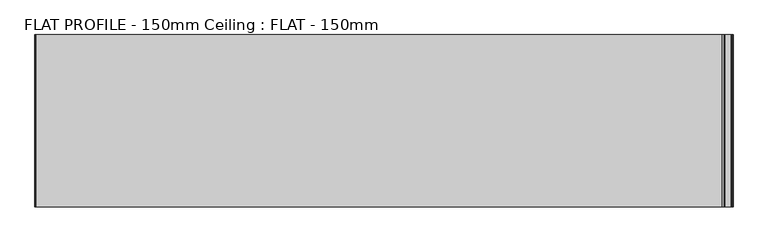
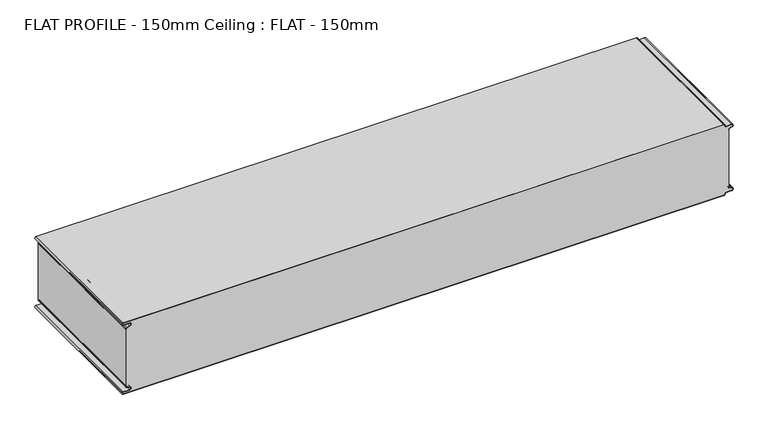
"""IFC4 building model written with IfcOpenShell, lengths in millimetres: proxy geometry, FLAT PROFILE - 150mm Ceiling : FLAT - 150mm."""

import ifcopenshell
import ifcopenshell.guid

model = None  # the IFC model being written
_history = None  # IfcOwnerHistory: only IFC2X3 demands one
_inside = {}  # id of a spatial element -> (the spatial element, [elements in it])
_under = {}  # id of a project, library or spatial element -> (it, [spatial elements below it])
_declared = {}  # id of a project -> (the project, [libraries it declares])
_typed = {}  # id of a type object -> (the type object, [elements of that type])
_made_of = {}  # id of a material, layer set ... -> (it, [elements and type objects made of it])


def new_model(schema):
    """Start an empty IFC model of exactly this schema.

    Asked for "IFC4X3", IfcOpenShell would pick the latest addendum, in which some entities
    have other attributes; the version numbers below select the first issue.
    IFC2X3 requires an IfcOwnerHistory on every rooted entity: one is made here for all.
    """
    global model, _history
    if schema == "IFC4X3":
        model = ifcopenshell.file(schema_version=(4, 3, 0, 0))
    else:
        model = ifcopenshell.file(schema=schema)
    _inside.clear()
    _under.clear()
    _declared.clear()
    _typed.clear()
    _made_of.clear()
    _history = None
    if model.schema == "IFC2X3":
        org = make("IfcOrganization", Name="unknown")
        user = make(
            "IfcPersonAndOrganization",
            ThePerson=make("IfcPerson", FamilyName="unknown"),
            TheOrganization=org,
        )
        app = make(
            "IfcApplication",
            ApplicationDeveloper=org,
            Version="unknown",
            ApplicationFullName="unknown",
            ApplicationIdentifier="unknown",
        )
        _history = make(
            "IfcOwnerHistory",
            OwningUser=user,
            OwningApplication=app,
            ChangeAction="ADDED",
            CreationDate=0,
        )
    return model


def make(cls, **values):
    """One entity of the class cls with the attributes given. An attribute that is None is left unset."""
    return model.create_entity(
        cls, **{name: value for name, value in values.items() if value is not None}
    )


def rooted(cls, **values):
    """An entity with a GlobalId (a new one), such as an element, a storey or a relation."""
    return make(cls, GlobalId=ifcopenshell.guid.new(), OwnerHistory=_history, **values)


def si_unit(unit_type, name, prefix=None):
    """IfcSIUnit, for example si_unit("LENGTHUNIT", "METRE", prefix="MILLI")."""
    return make("IfcSIUnit", UnitType=unit_type, Prefix=prefix, Name=name)


def assignment(units):
    """IfcUnitAssignment: the units of a project."""
    return None if units is None else make("IfcUnitAssignment", Units=units)


def point(xyz):
    """IfcCartesianPoint."""
    return None if xyz is None else make("IfcCartesianPoint", Coordinates=xyz)


def direction(xyz):
    """IfcDirection."""
    return None if xyz is None else make("IfcDirection", DirectionRatios=xyz)


def frame(location, z_axis=None, x_axis=None):
    """IfcAxis2Placement3D, a coordinate frame: its origin and axes. An axis left out is left unset."""
    return make(
        "IfcAxis2Placement3D",
        Location=point(location),
        Axis=direction(z_axis),
        RefDirection=direction(x_axis),
    )


def frame_2d(location, x_axis=None):
    """IfcAxis2Placement2D, a coordinate frame in the plane: its origin and x axis."""
    return make(
        "IfcAxis2Placement2D", Location=point(location), RefDirection=direction(x_axis)
    )


def origin():
    """The frame at (0, 0, 0) with its axes left unset."""
    return frame((0.0, 0.0, 0.0))


def place(relative_to, where):
    """IfcLocalPlacement: puts the frame where relative to a parent placement (None: the world)."""
    return make(
        "IfcLocalPlacement", PlacementRelTo=relative_to, RelativePlacement=where
    )


def context(
    kind, dimensions, precision=None, world=None, true_north=None, identifier=None
):
    """IfcGeometricRepresentationContext, for example the 3D "Model" context."""
    return make(
        "IfcGeometricRepresentationContext",
        ContextIdentifier=identifier,
        ContextType=kind,
        CoordinateSpaceDimension=dimensions,
        Precision=precision,
        WorldCoordinateSystem=world,
        TrueNorth=true_north,
    )


def project(units=None, contexts=None):
    """IfcProject with its units and contexts."""
    return rooted(
        "IfcProject",
        Name="project",
        RepresentationContexts=contexts,
        UnitsInContext=assignment(units),
    )


def spatial(cls, under=None, at=None, **own):
    """A site, building, storey or space (cls), placed at a placement, below another one or the project."""
    s = rooted(cls, ObjectPlacement=at, **own)
    if under is not None:
        _under.setdefault(under.id(), (under, []))[1].append(s)
    return s


def polyline(points):
    """IfcPolyline through the points."""
    return make("IfcPolyline", Points=[point(p) for p in points])


def circle_curve(where, radius):
    """IfcCircle in the frame where."""
    return make("IfcCircle", Position=where, Radius=radius)


def trimmed(basis, trim1, trim2, sense, master):
    """IfcTrimmedCurve: the piece of a basis curve between two trims."""
    return make(
        "IfcTrimmedCurve",
        BasisCurve=basis,
        Trim1=trim1,
        Trim2=trim2,
        SenseAgreement=sense,
        MasterRepresentation=master,
    )


def segment(curve, same_sense, transition):
    """IfcCompositeCurveSegment."""
    return make(
        "IfcCompositeCurveSegment",
        Transition=transition,
        SameSense=same_sense,
        ParentCurve=curve,
    )


def composite_curve(segments, self_intersect=None):
    """IfcCompositeCurve: segments joined end to end."""
    return make("IfcCompositeCurve", Segments=segments, SelfIntersect=self_intersect)


def outline(outer, holes=None, kind="AREA"):
    """IfcArbitraryClosedProfileDef: a profile drawn as a closed curve; with holes, ...WithVoids."""
    if holes is None:
        return make("IfcArbitraryClosedProfileDef", ProfileType=kind, OuterCurve=outer)
    return make(
        "IfcArbitraryProfileDefWithVoids",
        ProfileType=kind,
        OuterCurve=outer,
        InnerCurves=holes,
    )


def extrude(swept, where, along, depth):
    """IfcExtrudedAreaSolid: the profile swept, set in the frame where, extruded along a direction by depth."""
    return make(
        "IfcExtrudedAreaSolid",
        SweptArea=swept,
        Position=where,
        ExtrudedDirection=direction(along),
        Depth=depth,
    )


def shape(context_of_items, identifier, shape_type, items):
    """IfcShapeRepresentation: the items that make up one representation, for example the "Body"."""
    return make(
        "IfcShapeRepresentation",
        ContextOfItems=context_of_items,
        RepresentationIdentifier=identifier,
        RepresentationType=shape_type,
        Items=items,
    )


def source(mapping_origin, context_of_items, identifier, shape_type, items):
    """IfcRepresentationMap: a shape defined once, which mapped items show again and again."""
    return make(
        "IfcRepresentationMap",
        MappingOrigin=mapping_origin,
        MappedRepresentation=shape(context_of_items, identifier, shape_type, items),
    )


def transform(
    local_origin,
    x_axis=None,
    y_axis=None,
    z_axis=None,
    scale=None,
    scale2=None,
    scale3=None,
    uniform=True,
):
    """IfcCartesianTransformationOperator3D, or its non-uniform kind. x_axis, y_axis, z_axis: its Axis1, 2, 3."""
    if uniform:
        return make(
            "IfcCartesianTransformationOperator3D",
            Axis1=direction(x_axis),
            Axis2=direction(y_axis),
            LocalOrigin=point(local_origin),
            Scale=scale,
            Axis3=direction(z_axis),
        )
    return make(
        "IfcCartesianTransformationOperator3DnonUniform",
        Axis1=direction(x_axis),
        Axis2=direction(y_axis),
        LocalOrigin=point(local_origin),
        Scale=scale,
        Axis3=direction(z_axis),
        Scale2=scale2,
        Scale3=scale3,
    )


def mapped(mapping_source, mapping_target):
    """IfcMappedItem: shows the shape of a source again, moved by a transform."""
    return make(
        "IfcMappedItem", MappingSource=mapping_source, MappingTarget=mapping_target
    )


def made_of(thing, what):
    """Note that an element or type object is made of a material, layer set ...; save() writes the relation."""
    if what is not None:
        _made_of.setdefault(what.id(), (what, []))[1].append(thing)
    return thing


def element(
    cls,
    number,
    at=None,
    inside=None,
    cuts=None,
    type_object=None,
    material=None,
    context=None,
    identifier="Body",
    shape_type=None,
    held_by="IfcProductDefinitionShape",
    body=None,
    shapes=None,
    **own,
):
    """One element of the class cls, such as IfcWall. Its Tag is "e" and its number.

    at: its placement. inside: the storey or other place that contains it. cuts: it is an
    opening in that element (IfcRelVoidsElement). A single representation is given by context,
    identifier, shape_type and body (its items); several are given by shapes. held_by: the class
    of the entity that holds the representations. save() writes the other relations.
    """
    e = rooted(cls, Tag="e%d" % number, ObjectPlacement=at, **own)
    if body is not None:
        shapes = [shape(context, identifier, shape_type, body)]
    if shapes is not None:
        e.Representation = make(held_by, Representations=shapes)
    if inside is not None:
        _inside.setdefault(inside.id(), (inside, []))[1].append(e)
    if cuts is not None:
        rooted(
            "IfcRelVoidsElement", RelatingBuildingElement=cuts, RelatedOpeningElement=e
        )
    if type_object is not None:
        _typed.setdefault(type_object.id(), (type_object, []))[1].append(e)
    return made_of(e, material)


def aggregate(whole, parts):
    """IfcRelAggregates: a whole, such as a stair, and the parts it consists of."""
    return rooted("IfcRelAggregates", RelatingObject=whole, RelatedObjects=parts)


def save(model, path):
    """Write the relations noted so far, then the file.

    IfcRelAggregates (storeys below a building ...), IfcRelContainedInSpatialStructure (elements
    in a storey), IfcRelDefinesByType, IfcRelAssociatesMaterial and IfcRelDeclares: one each for
    every whole, place, type object, material and project.
    """
    for whole, parts in _under.values():
        aggregate(whole, parts)
    for where, things in _inside.values():
        rooted(
            "IfcRelContainedInSpatialStructure",
            RelatedElements=things,
            RelatingStructure=where,
        )
    for kind, things in _typed.values():
        rooted("IfcRelDefinesByType", RelatedObjects=things, RelatingType=kind)
    for what, things in _made_of.values():
        rooted("IfcRelAssociatesMaterial", RelatedObjects=things, RelatingMaterial=what)
    for by, libraries in _declared.values():
        rooted("IfcRelDeclares", RelatingContext=by, RelatedDefinitions=libraries)
    model.write(path)


def flat_profile_150mm_ceiling_flat_150mm_bf1788bf(model_context):
    return source(origin(), model_context, "Body", "SweptSolid", [
        extrude(outline(composite_curve([segment(polyline([(2438.8871049, -591.3794419), (2438.0861162, -589.3904999), (2436.0875592, -583.8995097)]), True, "CONTINUOUS"), segment(trimmed(circle_curve(frame_2d((2432.6623524, -585.2882153)), 3.6960175), [point((2436.0875592, -583.8995097))], [point((2428.9839912, -584.9273771))], True, "CARTESIAN"), True, "CONTINUOUS"), segment(polyline([(2428.9839912, -584.9273771), (2428.9839912, -597.3733883)]), True, "CONTINUOUS"), segment(trimmed(circle_curve(frame_2d((2427.4887038, -597.4921978)), 1.5), [point((2428.9839912, -597.3733883))], [point((2426.0, -597.3084562))], False, "CARTESIAN"), True, "CONTINUOUS"), segment(polyline([(2426.0, -597.3084562), (2426.0, 596.902372)]), True, "CONTINUOUS"), segment(trimmed(circle_curve(frame_2d((2427.5073559, 596.9047345)), 1.5073578), [point((2426.0, 596.902372))], [point((2427.5460681, 598.4115951))], False, "CARTESIAN"), True, "CONTINUOUS"), segment(trimmed(circle_curve(frame_2d((2427.5, 601.9112919)), 3.5), [point((2427.5460681, 598.4115951))], [point((2431.0, 601.9112919))], True, "CARTESIAN"), True, "CONTINUOUS"), segment(polyline([(2431.0, 601.9112919), (2431.0, 612.3116271)]), True, "CONTINUOUS"), segment(trimmed(circle_curve(frame_2d((2433.1, 612.3116271)), 2.1), [point((2431.0, 612.3116271))], [point((2435.068303, 613.0435993))], False, "CARTESIAN"), True, "CONTINUOUS"), segment(polyline([(2435.068303, 613.0435993), (2435.8937017, 610.7828028), (2437.0845863, 607.8546835)]), True, "CONTINUOUS"), segment(trimmed(circle_curve(frame_2d((2439.7531065, 608.9399875)), 2.8807786), [point((2437.0845863, 607.8546835))], [point((2439.5249279, 606.0682599))], True, "CARTESIAN"), True, "CONTINUOUS"), segment(polyline([(2439.5249279, 606.0682599), (2440.7477786, 606.0107004), (2440.7477786, 607.0118076), (2559.2522214, 607.0118076), (2559.2522214, 606.0107004), (2560.4750721, 606.0682599)]), True, "CONTINUOUS"), segment(trimmed(circle_curve(frame_2d((2560.2468935, 608.9399875)), 2.8807786), [point((2560.4750721, 606.0682599))], [point((2562.9154137, 607.8546835))], True, "CARTESIAN"), True, "CONTINUOUS"), segment(polyline([(2562.9154137, 607.8546835), (2564.1062983, 610.7828028), (2564.931697, 613.0435993)]), True, "CONTINUOUS"), segment(trimmed(circle_curve(frame_2d((2566.9, 612.3116271)), 2.1), [point((2564.931697, 613.0435993))], [point((2569.0, 612.3116271))], False, "CARTESIAN"), True, "CONTINUOUS"), segment(polyline([(2569.0, 612.3116271), (2569.0, 601.9112919)]), True, "CONTINUOUS"), segment(trimmed(circle_curve(frame_2d((2572.5, 601.9112919)), 3.5), [point((2569.0, 601.9112919))], [point((2572.4539319, 598.4115951))], True, "CARTESIAN"), True, "CONTINUOUS"), segment(trimmed(circle_curve(frame_2d((2572.4926441, 596.9047345)), 1.5073578), [point((2572.4539319, 598.4115951))], [point((2574.0, 596.902372))], False, "CARTESIAN"), True, "CONTINUOUS"), segment(polyline([(2574.0, 596.902372), (2574.0, -597.3084562)]), True, "CONTINUOUS"), segment(trimmed(circle_curve(frame_2d((2572.5112962, -597.4921978)), 1.5), [point((2574.0, -597.3084562))], [point((2571.0160088, -597.3733883))], False, "CARTESIAN"), True, "CONTINUOUS"), segment(polyline([(2571.0160088, -597.3733883), (2571.0160088, -584.9273771)]), True, "CONTINUOUS"), segment(trimmed(circle_curve(frame_2d((2567.3376476, -585.2882153)), 3.6960175), [point((2571.0160088, -584.9273771))], [point((2563.9124408, -583.8995097))], True, "CARTESIAN"), True, "CONTINUOUS"), segment(polyline([(2563.9124408, -583.8995097), (2561.9138838, -589.3904999), (2561.1128951, -591.3794419)]), True, "CONTINUOUS"), segment(trimmed(circle_curve(frame_2d((2560.1831925, -591.0050311)), 1.0022625), [point((2561.1128951, -591.3794419))], [point((2560.3779338, -591.9881924))], False, "CARTESIAN"), True, "CONTINUOUS"), segment(polyline([(2560.3779338, -591.9881924), (2559.2522232, -591.9881924), (2559.2522232, -592.9881924), (2440.7477805, -592.9881924), (2440.7477805, -591.9881924), (2439.6220662, -591.9881924)]), True, "CONTINUOUS"), segment(trimmed(circle_curve(frame_2d((2439.8168075, -591.0050311)), 1.0022625), [point((2439.6220662, -591.9881924))], [point((2438.8871049, -591.3794419))], False, "CARTESIAN"), True, "CONTINUOUS")], self_intersect=False)), frame((0.0, -2500.0000019, 0.0), z_axis=(0.0, 1.0, 0.0), x_axis=(0.0, 0.0, 1.0)), (0.0, 0.0, 1.0), 300.0),
        extrude(outline(composite_curve([segment(trimmed(circle_curve(frame_2d((2439.8168075, -591.0050311)), 1.0022625), [point((2438.8871049, -591.3794419))], [point((2439.6220662, -591.9881924))], True, "CARTESIAN"), True, "CONTINUOUS"), segment(polyline([(2439.6220662, -591.9881924), (2440.7477805, -591.9881924), (2440.7477805, -592.9881924), (2439.5408967, -592.9881924)]), True, "CONTINUOUS"), segment(trimmed(circle_curve(frame_2d((2439.8168075, -591.0050311)), 2.0022625), [point((2439.5408967, -592.9881924))], [point((2437.9595011, -591.7530074))], False, "CARTESIAN"), True, "CONTINUOUS"), segment(polyline([(2437.9595011, -591.7530074), (2437.1522016, -589.7483949), (2435.1545303, -584.2598383)]), True, "CONTINUOUS"), segment(trimmed(circle_curve(frame_2d((2432.6623524, -585.2882153)), 2.6960175), [point((2435.1545303, -584.2598383))], [point((2429.9839912, -584.9801705))], True, "CARTESIAN"), True, "CONTINUOUS"), segment(polyline([(2429.9839912, -584.9801705), (2429.9839912, -597.3387672)]), True, "CONTINUOUS"), segment(trimmed(circle_curve(frame_2d((2427.4887038, -597.4921978)), 2.5), [point((2429.9839912, -597.3387672))], [point((2425.0, -597.2548091))], False, "CARTESIAN"), True, "CONTINUOUS"), segment(polyline([(2425.0, -597.2548091), (2425.0, 596.9016875)]), True, "CONTINUOUS"), segment(trimmed(circle_curve(frame_2d((2427.5073559, 596.9047345)), 2.5073578), [point((2425.0, 596.9016875))], [point((2427.5482843, 599.4117582))], False, "CARTESIAN"), True, "CONTINUOUS"), segment(trimmed(circle_curve(frame_2d((2427.5, 601.9112919)), 2.5), [point((2427.5482843, 599.4117582))], [point((2430.0, 601.9112919))], True, "CARTESIAN"), True, "CONTINUOUS"), segment(polyline([(2430.0, 601.9112919), (2430.0, 612.3116271)]), True, "CONTINUOUS"), segment(trimmed(circle_curve(frame_2d((2433.1, 612.3116271)), 3.1), [point((2430.0, 612.3116271))], [point((2436.0067312, 613.3890842))], False, "CARTESIAN"), True, "CONTINUOUS"), segment(polyline([(2436.0067312, 613.3890842), (2436.826844, 611.1427659), (2437.945075, 608.2411829)]), True, "CONTINUOUS"), segment(trimmed(circle_curve(frame_2d((2439.8407353, 609.0514567)), 2.0615701), [point((2437.945075, 608.2411829))], [point((2439.5408967, 607.0118076))], True, "CARTESIAN"), True, "CONTINUOUS"), segment(polyline([(2439.5408967, 607.0118076), (2440.7477786, 607.0118076), (2440.7477786, 606.0107004), (2439.5249279, 606.0682599)]), True, "CONTINUOUS"), segment(trimmed(circle_curve(frame_2d((2439.7531065, 608.9399875)), 2.8807786), [point((2439.5249279, 606.0682599))], [point((2437.0845863, 607.8546835))], False, "CARTESIAN"), True, "CONTINUOUS"), segment(polyline([(2437.0845863, 607.8546835), (2435.8937017, 610.7828028), (2435.068303, 613.0435993)]), True, "CONTINUOUS"), segment(trimmed(circle_curve(frame_2d((2433.1, 612.3116271)), 2.1), [point((2435.068303, 613.0435993))], [point((2431.0, 612.3116271))], True, "CARTESIAN"), True, "CONTINUOUS"), segment(polyline([(2431.0, 612.3116271), (2431.0, 601.9112919)]), True, "CONTINUOUS"), segment(trimmed(circle_curve(frame_2d((2427.5, 601.9112919)), 3.5), [point((2431.0, 601.9112919))], [point((2427.5460681, 598.4115951))], False, "CARTESIAN"), True, "CONTINUOUS"), segment(trimmed(circle_curve(frame_2d((2427.5073559, 596.9047345)), 1.5073578), [point((2427.5460681, 598.4115951))], [point((2426.0, 596.902372))], True, "CARTESIAN"), True, "CONTINUOUS"), segment(polyline([(2426.0, 596.902372), (2426.0, -597.3084562)]), True, "CONTINUOUS"), segment(trimmed(circle_curve(frame_2d((2427.4887038, -597.4921978)), 1.5), [point((2426.0, -597.3084562))], [point((2428.9839912, -597.3733883))], True, "CARTESIAN"), True, "CONTINUOUS"), segment(polyline([(2428.9839912, -597.3733883), (2428.9839912, -584.9273771)]), True, "CONTINUOUS"), segment(trimmed(circle_curve(frame_2d((2432.6623524, -585.2882153)), 3.6960175), [point((2428.9839912, -584.9273771))], [point((2436.0875592, -583.8995097))], False, "CARTESIAN"), True, "CONTINUOUS"), segment(polyline([(2436.0875592, -583.8995097), (2438.0861162, -589.3904999), (2438.8871049, -591.3794419)]), True, "CONTINUOUS")], self_intersect=False)), frame((0.0, -2500.0000019, 0.0), z_axis=(0.0, 1.0, 0.0), x_axis=(0.0, 0.0, 1.0)), (0.0, 0.0, 1.0), 300.0),
        extrude(outline(composite_curve([segment(polyline([(2561.1128951, -591.3794419), (2561.9138838, -589.3904999), (2563.9124408, -583.8995097)]), True, "CONTINUOUS"), segment(trimmed(circle_curve(frame_2d((2567.3376476, -585.2882153)), 3.6960175), [point((2563.9124408, -583.8995097))], [point((2571.0160088, -584.9273771))], False, "CARTESIAN"), True, "CONTINUOUS"), segment(polyline([(2571.0160088, -584.9273771), (2571.0160088, -597.3733883)]), True, "CONTINUOUS"), segment(trimmed(circle_curve(frame_2d((2572.5112962, -597.4921978)), 1.5), [point((2571.0160088, -597.3733883))], [point((2574.0, -597.3084562))], True, "CARTESIAN"), True, "CONTINUOUS"), segment(polyline([(2574.0, -597.3084562), (2574.0, 596.902372)]), True, "CONTINUOUS"), segment(trimmed(circle_curve(frame_2d((2572.4926441, 596.9047345)), 1.5073578), [point((2574.0, 596.902372))], [point((2572.4539319, 598.4115951))], True, "CARTESIAN"), True, "CONTINUOUS"), segment(trimmed(circle_curve(frame_2d((2572.5, 601.9112919)), 3.5), [point((2572.4539319, 598.4115951))], [point((2569.0, 601.9112919))], False, "CARTESIAN"), True, "CONTINUOUS"), segment(polyline([(2569.0, 601.9112919), (2569.0, 612.3116271)]), True, "CONTINUOUS"), segment(trimmed(circle_curve(frame_2d((2566.9, 612.3116271)), 2.1), [point((2569.0, 612.3116271))], [point((2564.931697, 613.0435993))], True, "CARTESIAN"), True, "CONTINUOUS"), segment(polyline([(2564.931697, 613.0435993), (2564.1062983, 610.7828028), (2562.9154137, 607.8546835)]), True, "CONTINUOUS"), segment(trimmed(circle_curve(frame_2d((2560.2468935, 608.9399875)), 2.8807786), [point((2562.9154137, 607.8546835))], [point((2560.4750721, 606.0682599))], False, "CARTESIAN"), True, "CONTINUOUS"), segment(polyline([(2560.4750721, 606.0682599), (2559.2522214, 606.0107004), (2559.2522214, 607.0118076), (2560.4591033, 607.0118076)]), True, "CONTINUOUS"), segment(trimmed(circle_curve(frame_2d((2560.1592647, 609.0514567)), 2.0615701), [point((2560.4591033, 607.0118076))], [point((2562.054925, 608.2411829))], True, "CARTESIAN"), True, "CONTINUOUS"), segment(polyline([(2562.054925, 608.2411829), (2563.173156, 611.1427659), (2563.9932688, 613.3890842)]), True, "CONTINUOUS"), segment(trimmed(circle_curve(frame_2d((2566.9, 612.3116271)), 3.1), [point((2563.9932688, 613.3890842))], [point((2570.0, 612.3116271))], False, "CARTESIAN"), True, "CONTINUOUS"), segment(polyline([(2570.0, 612.3116271), (2570.0, 601.9112919)]), True, "CONTINUOUS"), segment(trimmed(circle_curve(frame_2d((2572.5, 601.9112919)), 2.5), [point((2570.0, 601.9112919))], [point((2572.4517157, 599.4117582))], True, "CARTESIAN"), True, "CONTINUOUS"), segment(trimmed(circle_curve(frame_2d((2572.4926441, 596.9047345)), 2.5073578), [point((2572.4517157, 599.4117582))], [point((2575.0, 596.9016875))], False, "CARTESIAN"), True, "CONTINUOUS"), segment(polyline([(2575.0, 596.9016875), (2575.0, -597.2548091)]), True, "CONTINUOUS"), segment(trimmed(circle_curve(frame_2d((2572.5112962, -597.4921978)), 2.5), [point((2575.0, -597.2548091))], [point((2570.0160088, -597.3387672))], False, "CARTESIAN"), True, "CONTINUOUS"), segment(polyline([(2570.0160088, -597.3387672), (2570.0160088, -584.9801705)]), True, "CONTINUOUS"), segment(trimmed(circle_curve(frame_2d((2567.3376476, -585.2882153)), 2.6960175), [point((2570.0160088, -584.9801705))], [point((2564.8454697, -584.2598383))], True, "CARTESIAN"), True, "CONTINUOUS"), segment(polyline([(2564.8454697, -584.2598383), (2562.8477984, -589.7483949), (2562.0404989, -591.7530074)]), True, "CONTINUOUS"), segment(trimmed(circle_curve(frame_2d((2560.1831925, -591.0050311)), 2.0022625), [point((2562.0404989, -591.7530074))], [point((2560.4591033, -592.9881924))], False, "CARTESIAN"), True, "CONTINUOUS"), segment(polyline([(2560.4591033, -592.9881924), (2559.2522195, -592.9881924), (2559.2522195, -591.9881924), (2560.3779338, -591.9881924)]), True, "CONTINUOUS"), segment(trimmed(circle_curve(frame_2d((2560.1831925, -591.0050311)), 1.0022625), [point((2560.3779338, -591.9881924))], [point((2561.1128951, -591.3794419))], True, "CARTESIAN"), True, "CONTINUOUS")], self_intersect=False)), frame((0.0, -2500.0000019, 0.0), z_axis=(0.0, 1.0, 0.0), x_axis=(0.0, 0.0, 1.0)), (0.0, 0.0, 1.0), 300.0),
    ])


if __name__ == "__main__":
    model = new_model("IFC4")
    model_context = context("Model", 3, world=origin())
    ifc_project = project(units=[si_unit("LENGTHUNIT", "METRE", prefix="MILLI")], contexts=[model_context])
    site = spatial("IfcSite", under=ifc_project)
    building = spatial("IfcBuilding", under=site)
    placement = place(None, origin())
    flat_profile_150mm_ceiling_flat_150mm_shape = flat_profile_150mm_ceiling_flat_150mm_bf1788bf(model_context)
    element("IfcBuildingElementProxy", 1, Name="FLAT PROFILE - 150mm Ceiling : FLAT - 150mm", ObjectType="FLAT PROFILE - 150mm Ceiling : FLAT - 150mm", at=placement, inside=building, context=model_context, shape_type="MappedRepresentation", body=[
        mapped(flat_profile_150mm_ceiling_flat_150mm_shape, transform((0.0, 0.0, 0.0), x_axis=(1.0, 0.0, 0.0), y_axis=(0.0, 1.0, 0.0), z_axis=(0.0, 0.0, 1.0))),
    ])
    save(model, "model.ifc")
